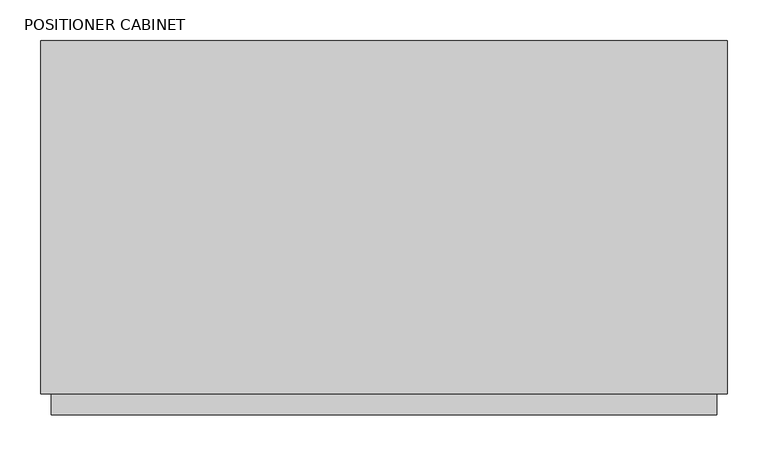
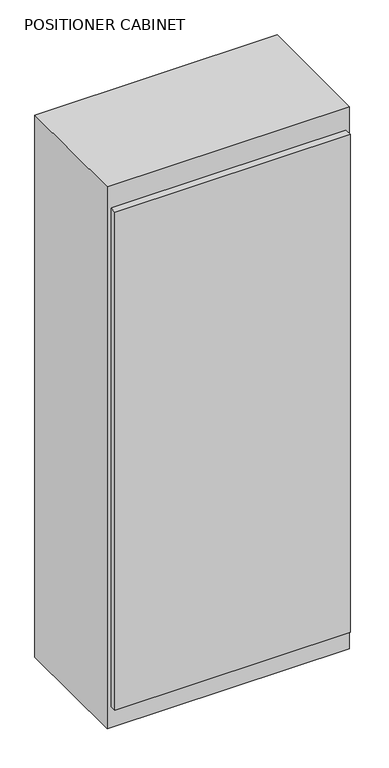
"""IFC4 building model written with IfcOpenShell, lengths in millimetres: proxy geometry, POSITIONER CABINET."""

from ifc_helpers import new_model, si_unit, frame, origin, origin_with_axes, place, context, project, spatial, polyline, outline, extrude, source, transform, mapped, element, save


def positioner_cabinet_5412c662(model_context):
    return source(origin(), model_context, "Body", "SweptSolid", [
        extrude(outline(polyline([(419.1, 0.0), (419.1, -431.8), (-419.1, -431.8), (-419.1, 0.0), (419.1, 0.0)])), origin_with_axes(), (0.0, 0.0, 1.0), 1981.2),
        extrude(outline(polyline([(406.4, -431.8), (406.4, -457.2), (-406.4, -457.2), (-406.4, -431.8), (406.4, -431.8)])), frame((0.0, 0.0, 78.9328969), z_axis=(0.0, 0.0, 1.0), x_axis=(1.0, 0.0, 0.0)), (0.0, 0.0, 1.0), 1820.8004507),
    ])


if __name__ == "__main__":
    model = new_model("IFC4")
    model_context = context("Model", 3, world=origin())
    ifc_project = project(units=[si_unit("LENGTHUNIT", "METRE", prefix="MILLI")], contexts=[model_context])
    site = spatial("IfcSite", under=ifc_project)
    building = spatial("IfcBuilding", under=site)
    placement = place(None, origin())
    positioner_cabinet_shape = positioner_cabinet_5412c662(model_context)
    element("IfcBuildingElementProxy", 1, Name="POSITIONER CABINET", ObjectType="POSITIONER CABINET", at=placement, inside=building, context=model_context, shape_type="MappedRepresentation", body=[
        mapped(positioner_cabinet_shape, transform((0.0, 0.0, 0.0), x_axis=(1.0, 0.0, 0.0), y_axis=(0.0, 1.0, 0.0), z_axis=(0.0, 0.0, 1.0))),
    ])
    save(model, "model.ifc")
